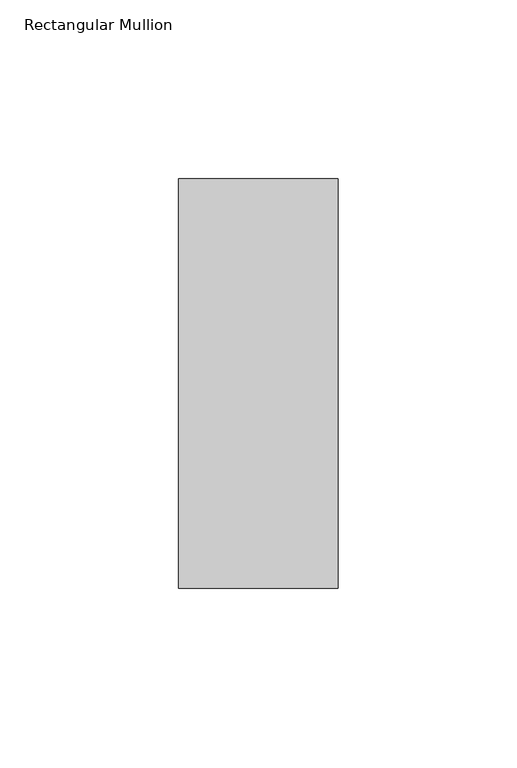
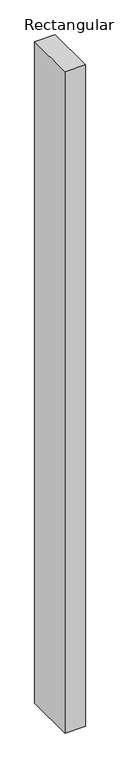
"""IFC4 building model written with IfcOpenShell, lengths in millimetres: member geometry, Rectangular Mullion."""

from ifc_helpers import new_model, si_unit, frame, origin, place, context, project, spatial, polyline, outline, extrude, source, transform, mapped, element, save


def rectangular_mullion_778f438d(model_context):
    return source(origin(), model_context, "Body", "SweptSolid", [
        extrude(outline(polyline([(-44.45, 57.1373), (0.0, 57.1373), (0.0, -57.1373), (-44.45, -57.1373), (-44.45, 57.1373)])), frame((0.0, 0.0, -1524.0), z_axis=(0.0, 0.0, 1.0), x_axis=(1.0, 0.0, 0.0)), (0.0, 0.0, 1.0), 1524.0),
    ])


if __name__ == "__main__":
    model = new_model("IFC4")
    model_context = context("Model", 3, world=origin())
    ifc_project = project(units=[si_unit("LENGTHUNIT", "METRE", prefix="MILLI")], contexts=[model_context])
    site = spatial("IfcSite", under=ifc_project)
    building = spatial("IfcBuilding", under=site)
    placement = place(None, origin())
    rectangular_mullion_shape = rectangular_mullion_778f438d(model_context)
    element("IfcMember", 1, ObjectType="Rectangular Mullion", at=placement, inside=building, context=model_context, shape_type="MappedRepresentation", body=[
        mapped(rectangular_mullion_shape, transform((0.0, 0.0, 0.0), x_axis=(1.0, 0.0, 0.0), y_axis=(0.0, 1.0, 0.0), z_axis=(0.0, 0.0, 1.0))),
    ])
    save(model, "model.ifc")
